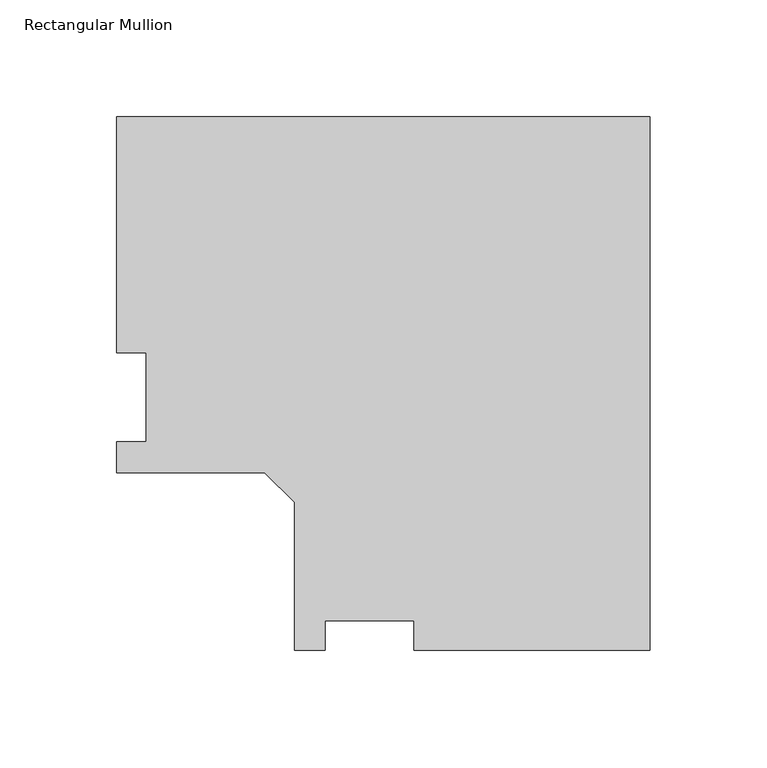
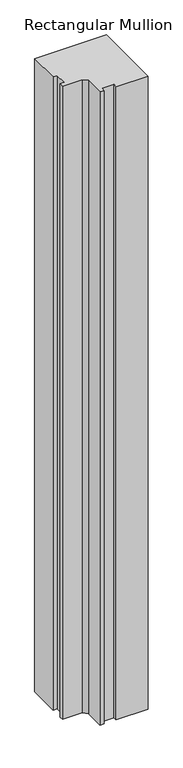
"""IFC4 building model written with IfcOpenShell, lengths in millimetres: member geometry, Rectangular Mullion."""

from ifc_helpers import new_model, si_unit, frame, origin, place, context, project, spatial, polyline, outline, extrude, source, transform, mapped, element, save


def rectangular_mullion_3a6cbd73(model_context):
    return source(origin(), model_context, "Body", "SweptSolid", [
        extrude(outline(polyline([(0.0, 152.4896938), (0.0, -76.1865062), (-101.1936, -76.1865062), (-101.1936, -63.4865063), (-139.2936, -63.4865063), (-139.2936, -76.1865062), (-152.4762, -76.1865062), (-152.4762, -12.6865062), (-165.1762, 0.0134938), (-228.6762, 0.0134938), (-228.6762, 13.1960938), (-215.9762, 13.1960938), (-215.9762, 51.2960938), (-228.6762, 51.2960937), (-228.6762, 152.4896937), (0.0, 152.4896938)])), frame((0.0, 0.0, -2133.6), z_axis=(0.0, 0.0, 1.0), x_axis=(1.0, 0.0, 0.0)), (0.0, 0.0, 1.0), 2133.6),
    ])


if __name__ == "__main__":
    model = new_model("IFC4")
    model_context = context("Model", 3, world=origin())
    ifc_project = project(units=[si_unit("LENGTHUNIT", "METRE", prefix="MILLI")], contexts=[model_context])
    site = spatial("IfcSite", under=ifc_project)
    building = spatial("IfcBuilding", under=site)
    placement = place(None, origin())
    rectangular_mullion_shape = rectangular_mullion_3a6cbd73(model_context)
    element("IfcMember", 1, ObjectType="Rectangular Mullion", at=placement, inside=building, context=model_context, shape_type="MappedRepresentation", body=[
        mapped(rectangular_mullion_shape, transform((0.0, 0.0, 0.0), x_axis=(1.0, 0.0, 0.0), y_axis=(0.0, 1.0, 0.0), z_axis=(0.0, 0.0, 1.0))),
    ])
    save(model, "model.ifc")
